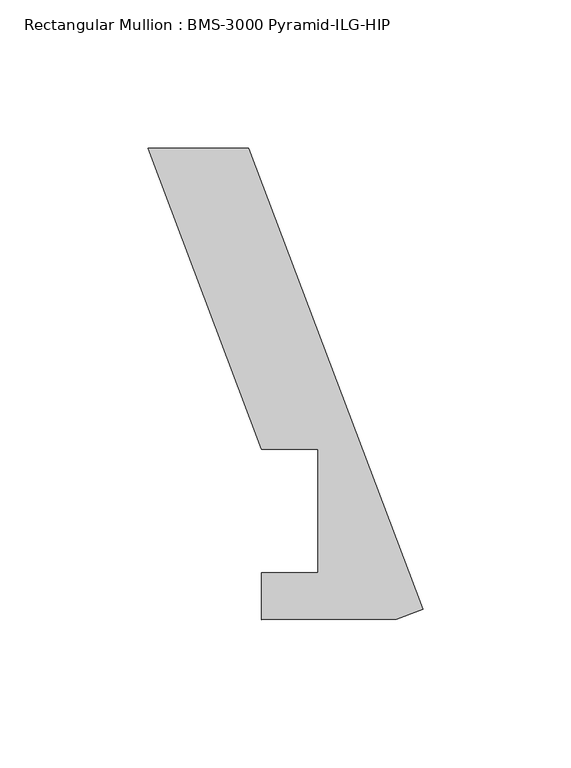
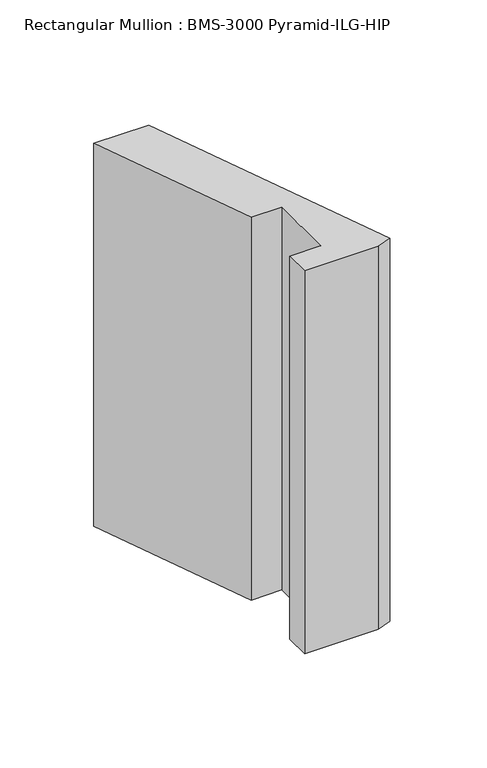
"""IFC4 building model written with IfcOpenShell, lengths in millimetres: member geometry, Rectangular Mullion : BMS-3000 Pyramid-ILG-HIP."""

from ifc_helpers import new_model, si_unit, frame, origin, place, context, project, spatial, polyline, outline, extrude, source, transform, mapped, element, save


def rectangular_mullion_bms_3000_pyramid_ilg_hip_6520088f(model_context):
    return source(origin(), model_context, "Body", "SweptSolid", [
        extrude(outline(polyline([(-58.7866398, 155.5739504), (0.0, -0.0003776), (-8.9101044, -3.3672255), (-54.4267253, -3.5150841), (-54.4267253, 12.2855261), (-35.2866963, 12.3790627), (-35.2866963, 53.975), (-54.3366963, 53.975), (-92.7277404, 155.5739504), (-58.7866398, 155.5739504)])), frame((0.0, 0.0, -249.5087632), z_axis=(0.0, 0.0, 1.0), x_axis=(1.0, 0.0, 0.0)), (0.0, 0.0, 1.0), 249.5087632),
    ])


if __name__ == "__main__":
    model = new_model("IFC4")
    model_context = context("Model", 3, world=origin())
    ifc_project = project(units=[si_unit("LENGTHUNIT", "METRE", prefix="MILLI")], contexts=[model_context])
    site = spatial("IfcSite", under=ifc_project)
    building = spatial("IfcBuilding", under=site)
    placement = place(None, origin())
    rectangular_mullion_bms_3000_pyramid_ilg_hip_shape = rectangular_mullion_bms_3000_pyramid_ilg_hip_6520088f(model_context)
    element("IfcMember", 1, ObjectType="Rectangular Mullion : BMS-3000 Pyramid-ILG-HIP", at=placement, inside=building, context=model_context, shape_type="MappedRepresentation", body=[
        mapped(rectangular_mullion_bms_3000_pyramid_ilg_hip_shape, transform((0.0, 0.0, 0.0), x_axis=(1.0, 0.0, 0.0), y_axis=(0.0, 1.0, 0.0), z_axis=(0.0, 0.0, 1.0))),
    ])
    save(model, "model.ifc")
